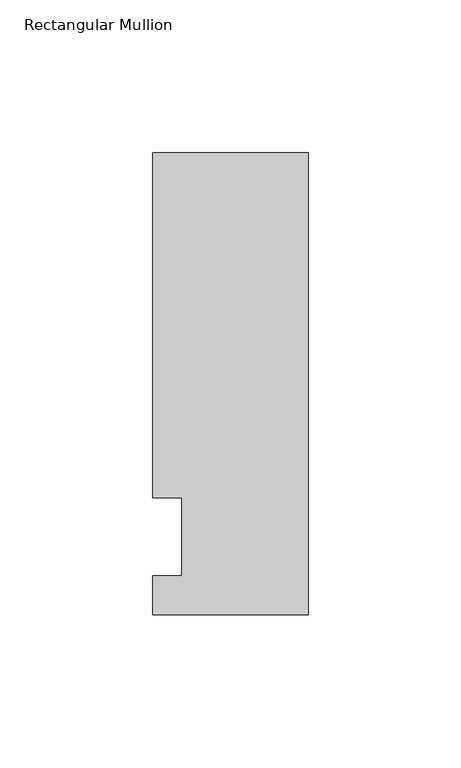
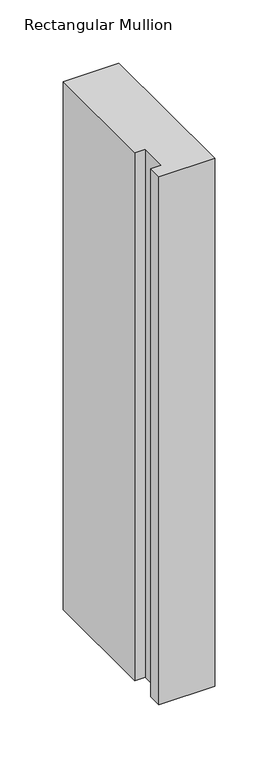
"""IFC4 building model written with IfcOpenShell, lengths in millimetres: member geometry, Rectangular Mullion."""

import ifcopenshell
import ifcopenshell.guid

model = None  # the IFC model being written
_history = None  # IfcOwnerHistory: only IFC2X3 demands one
_inside = {}  # id of a spatial element -> (the spatial element, [elements in it])
_under = {}  # id of a project, library or spatial element -> (it, [spatial elements below it])
_declared = {}  # id of a project -> (the project, [libraries it declares])
_typed = {}  # id of a type object -> (the type object, [elements of that type])
_made_of = {}  # id of a material, layer set ... -> (it, [elements and type objects made of it])


def new_model(schema):
    """Start an empty IFC model of exactly this schema.

    Asked for "IFC4X3", IfcOpenShell would pick the latest addendum, in which some entities
    have other attributes; the version numbers below select the first issue.
    IFC2X3 requires an IfcOwnerHistory on every rooted entity: one is made here for all.
    """
    global model, _history
    if schema == "IFC4X3":
        model = ifcopenshell.file(schema_version=(4, 3, 0, 0))
    else:
        model = ifcopenshell.file(schema=schema)
    _inside.clear()
    _under.clear()
    _declared.clear()
    _typed.clear()
    _made_of.clear()
    _history = None
    if model.schema == "IFC2X3":
        org = make("IfcOrganization", Name="unknown")
        user = make(
            "IfcPersonAndOrganization",
            ThePerson=make("IfcPerson", FamilyName="unknown"),
            TheOrganization=org,
        )
        app = make(
            "IfcApplication",
            ApplicationDeveloper=org,
            Version="unknown",
            ApplicationFullName="unknown",
            ApplicationIdentifier="unknown",
        )
        _history = make(
            "IfcOwnerHistory",
            OwningUser=user,
            OwningApplication=app,
            ChangeAction="ADDED",
            CreationDate=0,
        )
    return model


def make(cls, **values):
    """One entity of the class cls with the attributes given. An attribute that is None is left unset."""
    return model.create_entity(
        cls, **{name: value for name, value in values.items() if value is not None}
    )


def rooted(cls, **values):
    """An entity with a GlobalId (a new one), such as an element, a storey or a relation."""
    return make(cls, GlobalId=ifcopenshell.guid.new(), OwnerHistory=_history, **values)


def si_unit(unit_type, name, prefix=None):
    """IfcSIUnit, for example si_unit("LENGTHUNIT", "METRE", prefix="MILLI")."""
    return make("IfcSIUnit", UnitType=unit_type, Prefix=prefix, Name=name)


def assignment(units):
    """IfcUnitAssignment: the units of a project."""
    return None if units is None else make("IfcUnitAssignment", Units=units)


def point(xyz):
    """IfcCartesianPoint."""
    return None if xyz is None else make("IfcCartesianPoint", Coordinates=xyz)


def direction(xyz):
    """IfcDirection."""
    return None if xyz is None else make("IfcDirection", DirectionRatios=xyz)


def frame(location, z_axis=None, x_axis=None):
    """IfcAxis2Placement3D, a coordinate frame: its origin and axes. An axis left out is left unset."""
    return make(
        "IfcAxis2Placement3D",
        Location=point(location),
        Axis=direction(z_axis),
        RefDirection=direction(x_axis),
    )


def origin():
    """The frame at (0, 0, 0) with its axes left unset."""
    return frame((0.0, 0.0, 0.0))


def place(relative_to, where):
    """IfcLocalPlacement: puts the frame where relative to a parent placement (None: the world)."""
    return make(
        "IfcLocalPlacement", PlacementRelTo=relative_to, RelativePlacement=where
    )


def context(
    kind, dimensions, precision=None, world=None, true_north=None, identifier=None
):
    """IfcGeometricRepresentationContext, for example the 3D "Model" context."""
    return make(
        "IfcGeometricRepresentationContext",
        ContextIdentifier=identifier,
        ContextType=kind,
        CoordinateSpaceDimension=dimensions,
        Precision=precision,
        WorldCoordinateSystem=world,
        TrueNorth=true_north,
    )


def project(units=None, contexts=None):
    """IfcProject with its units and contexts."""
    return rooted(
        "IfcProject",
        Name="project",
        RepresentationContexts=contexts,
        UnitsInContext=assignment(units),
    )


def spatial(cls, under=None, at=None, **own):
    """A site, building, storey or space (cls), placed at a placement, below another one or the project."""
    s = rooted(cls, ObjectPlacement=at, **own)
    if under is not None:
        _under.setdefault(under.id(), (under, []))[1].append(s)
    return s


def polyline(points):
    """IfcPolyline through the points."""
    return make("IfcPolyline", Points=[point(p) for p in points])


def outline(outer, holes=None, kind="AREA"):
    """IfcArbitraryClosedProfileDef: a profile drawn as a closed curve; with holes, ...WithVoids."""
    if holes is None:
        return make("IfcArbitraryClosedProfileDef", ProfileType=kind, OuterCurve=outer)
    return make(
        "IfcArbitraryProfileDefWithVoids",
        ProfileType=kind,
        OuterCurve=outer,
        InnerCurves=holes,
    )


def extrude(swept, where, along, depth):
    """IfcExtrudedAreaSolid: the profile swept, set in the frame where, extruded along a direction by depth."""
    return make(
        "IfcExtrudedAreaSolid",
        SweptArea=swept,
        Position=where,
        ExtrudedDirection=direction(along),
        Depth=depth,
    )


def shape(context_of_items, identifier, shape_type, items):
    """IfcShapeRepresentation: the items that make up one representation, for example the "Body"."""
    return make(
        "IfcShapeRepresentation",
        ContextOfItems=context_of_items,
        RepresentationIdentifier=identifier,
        RepresentationType=shape_type,
        Items=items,
    )


def source(mapping_origin, context_of_items, identifier, shape_type, items):
    """IfcRepresentationMap: a shape defined once, which mapped items show again and again."""
    return make(
        "IfcRepresentationMap",
        MappingOrigin=mapping_origin,
        MappedRepresentation=shape(context_of_items, identifier, shape_type, items),
    )


def transform(
    local_origin,
    x_axis=None,
    y_axis=None,
    z_axis=None,
    scale=None,
    scale2=None,
    scale3=None,
    uniform=True,
):
    """IfcCartesianTransformationOperator3D, or its non-uniform kind. x_axis, y_axis, z_axis: its Axis1, 2, 3."""
    if uniform:
        return make(
            "IfcCartesianTransformationOperator3D",
            Axis1=direction(x_axis),
            Axis2=direction(y_axis),
            LocalOrigin=point(local_origin),
            Scale=scale,
            Axis3=direction(z_axis),
        )
    return make(
        "IfcCartesianTransformationOperator3DnonUniform",
        Axis1=direction(x_axis),
        Axis2=direction(y_axis),
        LocalOrigin=point(local_origin),
        Scale=scale,
        Axis3=direction(z_axis),
        Scale2=scale2,
        Scale3=scale3,
    )


def mapped(mapping_source, mapping_target):
    """IfcMappedItem: shows the shape of a source again, moved by a transform."""
    return make(
        "IfcMappedItem", MappingSource=mapping_source, MappingTarget=mapping_target
    )


def made_of(thing, what):
    """Note that an element or type object is made of a material, layer set ...; save() writes the relation."""
    if what is not None:
        _made_of.setdefault(what.id(), (what, []))[1].append(thing)
    return thing


def element(
    cls,
    number,
    at=None,
    inside=None,
    cuts=None,
    type_object=None,
    material=None,
    context=None,
    identifier="Body",
    shape_type=None,
    held_by="IfcProductDefinitionShape",
    body=None,
    shapes=None,
    **own,
):
    """One element of the class cls, such as IfcWall. Its Tag is "e" and its number.

    at: its placement. inside: the storey or other place that contains it. cuts: it is an
    opening in that element (IfcRelVoidsElement). A single representation is given by context,
    identifier, shape_type and body (its items); several are given by shapes. held_by: the class
    of the entity that holds the representations. save() writes the other relations.
    """
    e = rooted(cls, Tag="e%d" % number, ObjectPlacement=at, **own)
    if body is not None:
        shapes = [shape(context, identifier, shape_type, body)]
    if shapes is not None:
        e.Representation = make(held_by, Representations=shapes)
    if inside is not None:
        _inside.setdefault(inside.id(), (inside, []))[1].append(e)
    if cuts is not None:
        rooted(
            "IfcRelVoidsElement", RelatingBuildingElement=cuts, RelatedOpeningElement=e
        )
    if type_object is not None:
        _typed.setdefault(type_object.id(), (type_object, []))[1].append(e)
    return made_of(e, material)


def aggregate(whole, parts):
    """IfcRelAggregates: a whole, such as a stair, and the parts it consists of."""
    return rooted("IfcRelAggregates", RelatingObject=whole, RelatedObjects=parts)


def save(model, path):
    """Write the relations noted so far, then the file.

    IfcRelAggregates (storeys below a building ...), IfcRelContainedInSpatialStructure (elements
    in a storey), IfcRelDefinesByType, IfcRelAssociatesMaterial and IfcRelDeclares: one each for
    every whole, place, type object, material and project.
    """
    for whole, parts in _under.values():
        aggregate(whole, parts)
    for where, things in _inside.values():
        rooted(
            "IfcRelContainedInSpatialStructure",
            RelatedElements=things,
            RelatingStructure=where,
        )
    for kind, things in _typed.values():
        rooted("IfcRelDefinesByType", RelatedObjects=things, RelatingType=kind)
    for what, things in _made_of.values():
        rooted("IfcRelAssociatesMaterial", RelatedObjects=things, RelatingMaterial=what)
    for by, libraries in _declared.values():
        rooted("IfcRelDeclares", RelatingContext=by, RelatedDefinitions=libraries)
    model.write(path)


def rectangular_mullion_928620e9(model_context):
    return source(origin(), model_context, "Body", "SweptSolid", [
        extrude(outline(polyline([(-50.8, -25.5984375), (-50.8, -12.7), (-41.275, -12.7), (-41.275, 12.7), (-50.8, 12.7), (-50.8, 125.6109375), (0.0, 125.6109375), (0.0, -25.5984375), (-50.8, -25.5984375)])), frame((0.0, 0.0, -509.6488917), z_axis=(0.0, 0.0, 1.0), x_axis=(1.0, 0.0, 0.0)), (0.0, 0.0, 1.0), 509.6488917),
    ])


if __name__ == "__main__":
    model = new_model("IFC4")
    model_context = context("Model", 3, world=origin())
    ifc_project = project(units=[si_unit("LENGTHUNIT", "METRE", prefix="MILLI")], contexts=[model_context])
    site = spatial("IfcSite", under=ifc_project)
    building = spatial("IfcBuilding", under=site)
    placement = place(None, origin())
    rectangular_mullion_shape = rectangular_mullion_928620e9(model_context)
    element("IfcMember", 1, ObjectType="Rectangular Mullion", at=placement, inside=building, context=model_context, shape_type="MappedRepresentation", body=[
        mapped(rectangular_mullion_shape, transform((0.0, 0.0, 0.0), x_axis=(1.0, 0.0, 0.0), y_axis=(0.0, 1.0, 0.0), z_axis=(0.0, 0.0, 1.0))),
    ])
    save(model, "model.ifc")
